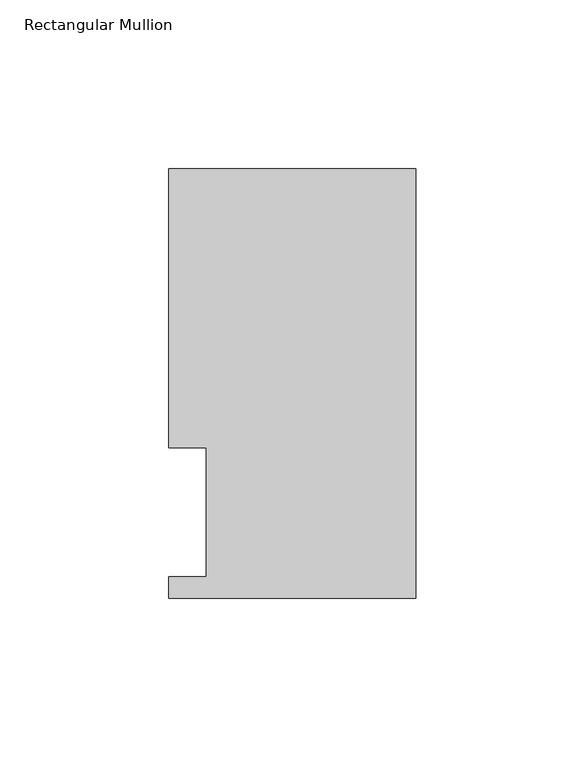
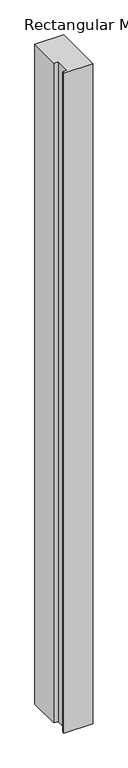
"""IFC4 building model written with IfcOpenShell, lengths in millimetres: member geometry, Rectangular Mullion."""

from ifc_helpers import new_model, si_unit, frame, origin, place, context, project, spatial, polyline, outline, extrude, source, transform, mapped, element, save


def rectangular_mullion_0a809c78(model_context):
    return source(origin(), model_context, "Body", "SweptSolid", [
        extrude(outline(polyline([(0.0, 127.0), (0.0, 0.0), (-73.025, 0.0), (-73.025, 6.35), (-61.9125, 6.35), (-61.9125, 44.45), (-73.025, 44.45), (-73.025, 127.0), (0.0, 127.0)])), frame((0.0, 0.0, -1758.95), z_axis=(0.0, 0.0, 1.0), x_axis=(1.0, 0.0, 0.0)), (0.0, 0.0, 1.0), 1758.95),
    ])


if __name__ == "__main__":
    model = new_model("IFC4")
    model_context = context("Model", 3, world=origin())
    ifc_project = project(units=[si_unit("LENGTHUNIT", "METRE", prefix="MILLI")], contexts=[model_context])
    site = spatial("IfcSite", under=ifc_project)
    building = spatial("IfcBuilding", under=site)
    placement = place(None, origin())
    rectangular_mullion_shape = rectangular_mullion_0a809c78(model_context)
    element("IfcMember", 1, ObjectType="Rectangular Mullion", at=placement, inside=building, context=model_context, shape_type="MappedRepresentation", body=[
        mapped(rectangular_mullion_shape, transform((0.0, 0.0, 0.0), x_axis=(1.0, 0.0, 0.0), y_axis=(0.0, 1.0, 0.0), z_axis=(0.0, 0.0, 1.0))),
    ])
    save(model, "model.ifc")
